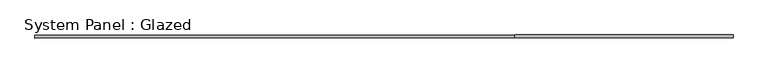
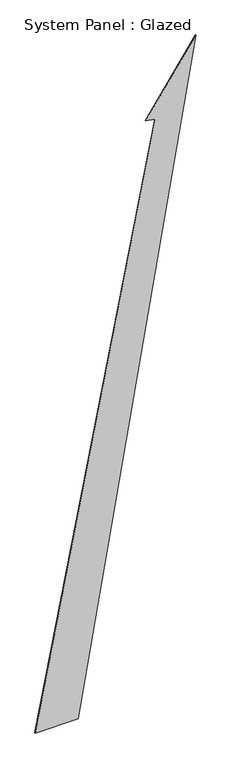
"""IFC4 building model written with IfcOpenShell, lengths in millimetres: plate geometry, System Panel : Glazed."""

import ifcopenshell
import ifcopenshell.guid

model = None  # the IFC model being written
_history = None  # IfcOwnerHistory: only IFC2X3 demands one
_inside = {}  # id of a spatial element -> (the spatial element, [elements in it])
_under = {}  # id of a project, library or spatial element -> (it, [spatial elements below it])
_declared = {}  # id of a project -> (the project, [libraries it declares])
_typed = {}  # id of a type object -> (the type object, [elements of that type])
_made_of = {}  # id of a material, layer set ... -> (it, [elements and type objects made of it])


def new_model(schema):
    """Start an empty IFC model of exactly this schema.

    Asked for "IFC4X3", IfcOpenShell would pick the latest addendum, in which some entities
    have other attributes; the version numbers below select the first issue.
    IFC2X3 requires an IfcOwnerHistory on every rooted entity: one is made here for all.
    """
    global model, _history
    if schema == "IFC4X3":
        model = ifcopenshell.file(schema_version=(4, 3, 0, 0))
    else:
        model = ifcopenshell.file(schema=schema)
    _inside.clear()
    _under.clear()
    _declared.clear()
    _typed.clear()
    _made_of.clear()
    _history = None
    if model.schema == "IFC2X3":
        org = make("IfcOrganization", Name="unknown")
        user = make(
            "IfcPersonAndOrganization",
            ThePerson=make("IfcPerson", FamilyName="unknown"),
            TheOrganization=org,
        )
        app = make(
            "IfcApplication",
            ApplicationDeveloper=org,
            Version="unknown",
            ApplicationFullName="unknown",
            ApplicationIdentifier="unknown",
        )
        _history = make(
            "IfcOwnerHistory",
            OwningUser=user,
            OwningApplication=app,
            ChangeAction="ADDED",
            CreationDate=0,
        )
    return model


def make(cls, **values):
    """One entity of the class cls with the attributes given. An attribute that is None is left unset."""
    return model.create_entity(
        cls, **{name: value for name, value in values.items() if value is not None}
    )


def rooted(cls, **values):
    """An entity with a GlobalId (a new one), such as an element, a storey or a relation."""
    return make(cls, GlobalId=ifcopenshell.guid.new(), OwnerHistory=_history, **values)


def si_unit(unit_type, name, prefix=None):
    """IfcSIUnit, for example si_unit("LENGTHUNIT", "METRE", prefix="MILLI")."""
    return make("IfcSIUnit", UnitType=unit_type, Prefix=prefix, Name=name)


def assignment(units):
    """IfcUnitAssignment: the units of a project."""
    return None if units is None else make("IfcUnitAssignment", Units=units)


def point(xyz):
    """IfcCartesianPoint."""
    return None if xyz is None else make("IfcCartesianPoint", Coordinates=xyz)


def direction(xyz):
    """IfcDirection."""
    return None if xyz is None else make("IfcDirection", DirectionRatios=xyz)


def frame(location, z_axis=None, x_axis=None):
    """IfcAxis2Placement3D, a coordinate frame: its origin and axes. An axis left out is left unset."""
    return make(
        "IfcAxis2Placement3D",
        Location=point(location),
        Axis=direction(z_axis),
        RefDirection=direction(x_axis),
    )


def origin():
    """The frame at (0, 0, 0) with its axes left unset."""
    return frame((0.0, 0.0, 0.0))


def place(relative_to, where):
    """IfcLocalPlacement: puts the frame where relative to a parent placement (None: the world)."""
    return make(
        "IfcLocalPlacement", PlacementRelTo=relative_to, RelativePlacement=where
    )


def context(
    kind, dimensions, precision=None, world=None, true_north=None, identifier=None
):
    """IfcGeometricRepresentationContext, for example the 3D "Model" context."""
    return make(
        "IfcGeometricRepresentationContext",
        ContextIdentifier=identifier,
        ContextType=kind,
        CoordinateSpaceDimension=dimensions,
        Precision=precision,
        WorldCoordinateSystem=world,
        TrueNorth=true_north,
    )


def project(units=None, contexts=None):
    """IfcProject with its units and contexts."""
    return rooted(
        "IfcProject",
        Name="project",
        RepresentationContexts=contexts,
        UnitsInContext=assignment(units),
    )


def spatial(cls, under=None, at=None, **own):
    """A site, building, storey or space (cls), placed at a placement, below another one or the project."""
    s = rooted(cls, ObjectPlacement=at, **own)
    if under is not None:
        _under.setdefault(under.id(), (under, []))[1].append(s)
    return s


def polyline(points):
    """IfcPolyline through the points."""
    return make("IfcPolyline", Points=[point(p) for p in points])


def outline(outer, holes=None, kind="AREA"):
    """IfcArbitraryClosedProfileDef: a profile drawn as a closed curve; with holes, ...WithVoids."""
    if holes is None:
        return make("IfcArbitraryClosedProfileDef", ProfileType=kind, OuterCurve=outer)
    return make(
        "IfcArbitraryProfileDefWithVoids",
        ProfileType=kind,
        OuterCurve=outer,
        InnerCurves=holes,
    )


def extrude(swept, where, along, depth):
    """IfcExtrudedAreaSolid: the profile swept, set in the frame where, extruded along a direction by depth."""
    return make(
        "IfcExtrudedAreaSolid",
        SweptArea=swept,
        Position=where,
        ExtrudedDirection=direction(along),
        Depth=depth,
    )


def shape(context_of_items, identifier, shape_type, items):
    """IfcShapeRepresentation: the items that make up one representation, for example the "Body"."""
    return make(
        "IfcShapeRepresentation",
        ContextOfItems=context_of_items,
        RepresentationIdentifier=identifier,
        RepresentationType=shape_type,
        Items=items,
    )


def source(mapping_origin, context_of_items, identifier, shape_type, items):
    """IfcRepresentationMap: a shape defined once, which mapped items show again and again."""
    return make(
        "IfcRepresentationMap",
        MappingOrigin=mapping_origin,
        MappedRepresentation=shape(context_of_items, identifier, shape_type, items),
    )


def transform(
    local_origin,
    x_axis=None,
    y_axis=None,
    z_axis=None,
    scale=None,
    scale2=None,
    scale3=None,
    uniform=True,
):
    """IfcCartesianTransformationOperator3D, or its non-uniform kind. x_axis, y_axis, z_axis: its Axis1, 2, 3."""
    if uniform:
        return make(
            "IfcCartesianTransformationOperator3D",
            Axis1=direction(x_axis),
            Axis2=direction(y_axis),
            LocalOrigin=point(local_origin),
            Scale=scale,
            Axis3=direction(z_axis),
        )
    return make(
        "IfcCartesianTransformationOperator3DnonUniform",
        Axis1=direction(x_axis),
        Axis2=direction(y_axis),
        LocalOrigin=point(local_origin),
        Scale=scale,
        Axis3=direction(z_axis),
        Scale2=scale2,
        Scale3=scale3,
    )


def mapped(mapping_source, mapping_target):
    """IfcMappedItem: shows the shape of a source again, moved by a transform."""
    return make(
        "IfcMappedItem", MappingSource=mapping_source, MappingTarget=mapping_target
    )


def made_of(thing, what):
    """Note that an element or type object is made of a material, layer set ...; save() writes the relation."""
    if what is not None:
        _made_of.setdefault(what.id(), (what, []))[1].append(thing)
    return thing


def element(
    cls,
    number,
    at=None,
    inside=None,
    cuts=None,
    type_object=None,
    material=None,
    context=None,
    identifier="Body",
    shape_type=None,
    held_by="IfcProductDefinitionShape",
    body=None,
    shapes=None,
    **own,
):
    """One element of the class cls, such as IfcWall. Its Tag is "e" and its number.

    at: its placement. inside: the storey or other place that contains it. cuts: it is an
    opening in that element (IfcRelVoidsElement). A single representation is given by context,
    identifier, shape_type and body (its items); several are given by shapes. held_by: the class
    of the entity that holds the representations. save() writes the other relations.
    """
    e = rooted(cls, Tag="e%d" % number, ObjectPlacement=at, **own)
    if body is not None:
        shapes = [shape(context, identifier, shape_type, body)]
    if shapes is not None:
        e.Representation = make(held_by, Representations=shapes)
    if inside is not None:
        _inside.setdefault(inside.id(), (inside, []))[1].append(e)
    if cuts is not None:
        rooted(
            "IfcRelVoidsElement", RelatingBuildingElement=cuts, RelatedOpeningElement=e
        )
    if type_object is not None:
        _typed.setdefault(type_object.id(), (type_object, []))[1].append(e)
    return made_of(e, material)


def aggregate(whole, parts):
    """IfcRelAggregates: a whole, such as a stair, and the parts it consists of."""
    return rooted("IfcRelAggregates", RelatingObject=whole, RelatedObjects=parts)


def save(model, path):
    """Write the relations noted so far, then the file.

    IfcRelAggregates (storeys below a building ...), IfcRelContainedInSpatialStructure (elements
    in a storey), IfcRelDefinesByType, IfcRelAssociatesMaterial and IfcRelDeclares: one each for
    every whole, place, type object, material and project.
    """
    for whole, parts in _under.values():
        aggregate(whole, parts)
    for where, things in _inside.values():
        rooted(
            "IfcRelContainedInSpatialStructure",
            RelatedElements=things,
            RelatingStructure=where,
        )
    for kind, things in _typed.values():
        rooted("IfcRelDefinesByType", RelatedObjects=things, RelatingType=kind)
    for what, things in _made_of.values():
        rooted("IfcRelAssociatesMaterial", RelatedObjects=things, RelatingMaterial=what)
    for by, libraries in _declared.values():
        rooted("IfcRelDeclares", RelatingContext=by, RelatedDefinitions=libraries)
    model.write(path)


def system_panel_glazed_bc30192d(model_context):
    return source(origin(), model_context, "Body", "SweptSolid", [
        extrude(outline(polyline([(0.0, -3343.316444), (0.0, -1565.7339689), (28295.4923659, 3343.316444), (25276.9319393, 1252.8845676), (25199.2531895, 1645.2695977), (0.0, -3343.316444)])), frame((0.0, -77.5, 0.0), z_axis=(0.0, 1.0, 0.0), x_axis=(0.0, 0.0, 1.0)), (0.0, 0.0, 1.0), 25.0),
    ])


if __name__ == "__main__":
    model = new_model("IFC4")
    model_context = context("Model", 3, world=origin())
    ifc_project = project(units=[si_unit("LENGTHUNIT", "METRE", prefix="MILLI")], contexts=[model_context])
    site = spatial("IfcSite", under=ifc_project)
    building = spatial("IfcBuilding", under=site)
    placement = place(None, origin())
    system_panel_glazed_shape = system_panel_glazed_bc30192d(model_context)
    element("IfcPlate", 1, ObjectType="System Panel : Glazed", at=placement, inside=building, context=model_context, shape_type="MappedRepresentation", body=[
        mapped(system_panel_glazed_shape, transform((0.0, 0.0, 0.0), x_axis=(1.0, 0.0, 0.0), y_axis=(0.0, 1.0, 0.0), z_axis=(0.0, 0.0, 1.0))),
    ])
    save(model, "model.ifc")
